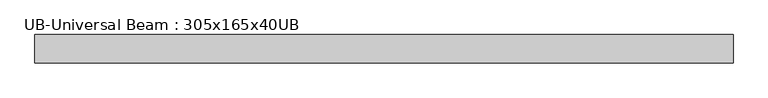
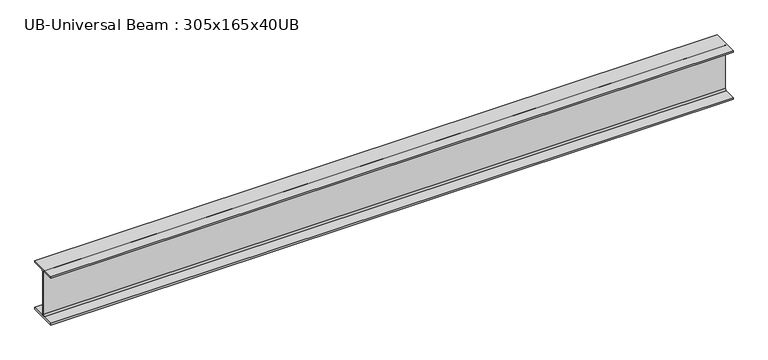
"""IFC4 building model written with IfcOpenShell, lengths in millimetres: beam geometry, UB-Universal Beam : 305x165x40UB."""

from ifc_helpers import new_model, si_unit, point, frame, frame_2d, origin, place, context, project, spatial, polyline, circle_curve, trimmed, segment, composite_curve, outline, extrude, source, transform, mapped, element, save


def ub_universal_beam_305x165x40ub_fcc322a0(model_context):
    return source(origin(), model_context, "Body", "SweptSolid", [
        extrude(outline(composite_curve([segment(polyline([(82.5, -141.5), (82.5, -151.7), (-82.5, -151.7), (-82.5, -141.5), (-11.9, -141.5)]), True, "CONTINUOUS"), segment(trimmed(circle_curve(frame_2d((-11.9, -132.6)), 8.9), [point((-11.9, -141.5))], [point((-3.0, -132.6))], True, "CARTESIAN"), True, "CONTINUOUS"), segment(polyline([(-3.0, -132.6), (-3.0, 132.6)]), True, "CONTINUOUS"), segment(trimmed(circle_curve(frame_2d((-11.9, 132.6)), 8.9), [point((-3.0, 132.6))], [point((-11.9, 141.5))], True, "CARTESIAN"), True, "CONTINUOUS"), segment(polyline([(-11.9, 141.5), (-82.5, 141.5), (-82.5, 151.7), (82.5, 151.7), (82.5, 141.5), (11.9, 141.5)]), True, "CONTINUOUS"), segment(trimmed(circle_curve(frame_2d((11.9, 132.6)), 8.9), [point((11.9, 141.5))], [point((3.0, 132.6))], True, "CARTESIAN"), True, "CONTINUOUS"), segment(polyline([(3.0, 132.6), (3.0, -132.6)]), True, "CONTINUOUS"), segment(trimmed(circle_curve(frame_2d((11.9, -132.6)), 8.9), [point((3.0, -132.6))], [point((11.9, -141.5))], True, "CARTESIAN"), True, "CONTINUOUS"), segment(polyline([(11.9, -141.5), (82.5, -141.5)]), True, "CONTINUOUS")], self_intersect=False)), frame((-2025.95, 0.0, 0.0), z_axis=(1.0, 0.0, 0.0), x_axis=(0.0, 1.0, 0.0)), (0.0, 0.0, 1.0), 4051.9),
    ])


if __name__ == "__main__":
    model = new_model("IFC4")
    model_context = context("Model", 3, world=origin())
    ifc_project = project(units=[si_unit("LENGTHUNIT", "METRE", prefix="MILLI")], contexts=[model_context])
    site = spatial("IfcSite", under=ifc_project)
    building = spatial("IfcBuilding", under=site)
    placement = place(None, origin())
    ub_universal_beam_305x165x40ub_shape = ub_universal_beam_305x165x40ub_fcc322a0(model_context)
    element("IfcBeam", 1, ObjectType="UB-Universal Beam : 305x165x40UB", at=placement, inside=building, context=model_context, shape_type="MappedRepresentation", body=[
        mapped(ub_universal_beam_305x165x40ub_shape, transform((0.0, 0.0, 0.0), x_axis=(1.0, 0.0, 0.0), y_axis=(0.0, 1.0, 0.0), z_axis=(0.0, 0.0, 1.0))),
    ])
    save(model, "model.ifc")
